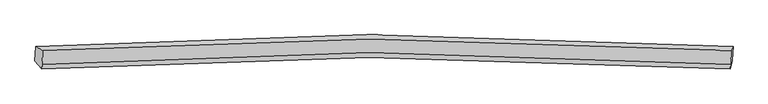
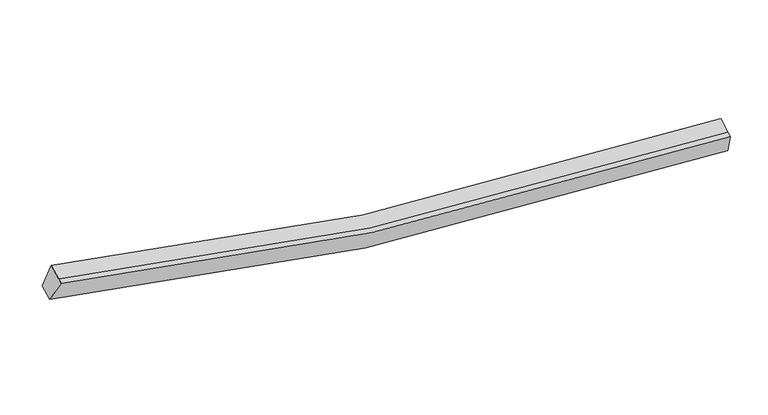
"""IFC4 building model written with IfcOpenShell, lengths in millimetres: proxy geometry."""

from ifc_helpers import new_model, si_unit, frame, origin, place, context, project, spatial, source, transform, mapped, element, save
from ifc_brep_helpers import plane_surface, spline_curve, spline_surface, advanced_brep


def generic_models_5e9204c1(model_context):
    return source(origin(), model_context, "Body", "AdvancedBrep", [
        advanced_brep(
        [(-10011.7701348, -1860.1644742, 4376.2628822), (-9793.6555309, -1979.5150159, 5046.9866564), (11110.7522531, -1976.7671308, 2580.5327412), (11169.904688, -1857.2818313, 1877.7431809), (-9812.9647578, -2401.6274832, 4878.2493281), (11091.4430262, -2398.8795981, 2411.7954129), (-9819.7548309, -2550.062971, 4818.9129911), (11084.6529531, -2547.3150858, 2352.4590759), (-10031.6195305, -2294.0853896, 4202.8051865), (11150.0552923, -2291.2027467, 1704.2854851)],
        [
            (0, 1),
            (1, 2, spline_curve(3, [(-9793.6555309, -1979.5150159, 5046.9866564), (-6514.706561389, -1752.894256372, 4122.332437879), (-3204.895896592, -1634.793983545, 3452.0606962), (3757.822342463, -1614.827537271, 2585.253222156), (7416.147605637, -1732.011849566, 2433.373658119), (11110.7522531, -1976.7671308, 2580.5327412)], [4, 2, 4], [0.0, 33.47764523452498, 69.77499914467266])),
            (2, 3),
            (3, 0, spline_curve(3, [(11169.904688, -1857.2818313, 1877.7431809), (7425.349094548, -1608.914744358, 1727.26489355), (3718.046873919, -1490.009665794, 1880.4444053), (-3336.948264237, -1510.303424263, 2758.630265219), (-6690.204317075, -1630.169383405, 3438.290653807), (-10011.7701348, -1860.1644742, 4376.2628822)], [4, 2, 4], [0.0, 36.297353910147685, 69.77499914467266])),
            (1, 4),
            (4, 5, spline_curve(3, [(-9812.9647578, -2401.6274832, 4878.2493281), (-6534.015788704, -2175.006723025, 3953.59511007), (-3224.20512339, -2056.906450671, 3283.323368071), (3738.513115452, -2036.94000476, 2416.515893671), (7396.838378762, -2154.124316781, 2264.63633072), (11091.4430262, -2398.8795981, 2411.7954129)], [4, 2, 4], [0.0, 33.25688100982449, 69.31487647231202])),
            (5, 2),
            (4, 6),
            (6, 7, spline_curve(3, [(-9819.7548309, -2550.062971, 4818.9129911), (-6540.805861804, -2323.442210825, 3894.25877307), (-3230.99519649, -2205.341938371, 3223.987031071), (3731.723042352, -2185.37549246, 2357.179556671), (7390.048305662, -2302.559804481, 2205.29999372), (11084.6529531, -2547.3150858, 2352.4590759)], [4, 2, 4], [0.0, 33.2568810098245, 69.31487647231204])),
            (7, 5),
            (6, 8),
            (8, 9, spline_curve(3, [(-10031.6195305, -2294.0853896, 4202.8051865), (-6710.053712775, -2064.090298805, 3264.832958107), (-3356.797659937, -1944.224339663, 2585.172569419), (3698.197478219, -1923.930581194, 1706.9867095), (7405.499698848, -2042.835659758, 1553.80719775), (11150.0552923, -2291.2027467, 1704.2854851)], [4, 2, 4], [0.0, 33.477645234524374, 69.7749991446714])),
            (9, 7),
            (8, 0),
            (3, 9),
        ],
        [
            spline_surface(3, 3, [[(-10011.7701348, -1860.1644742, 4376.2628822), (-6690.204316874, -1630.169383667, 3438.290653536), (-3336.948263936, -1510.303423993, 2758.630264816), (3718.046873593, -1490.009666086, 1880.444405737), (7425.349094924, -1608.914744804, 1727.264894036), (11169.904688, -1857.2818313, 1877.7431809)], [(-9939.065266838, -1899.947988095, 4599.837473572), (-6631.70506509, -1671.077674484, 3666.30458169), (-3292.930808188, -1551.800277045, 2989.773742003), (3731.305363226, -1531.615623288, 2115.380677822), (7422.281931835, -1649.947112855, 1962.634482218), (11150.18720969, -1897.110264444, 2112.006367664)], [(-9866.360398862, -1939.731502005, 4823.412065028), (-6573.205813293, -1711.985965317, 3894.318509928), (-3248.913352402, -1593.297130101, 3220.917219177), (3744.563852897, -1573.221580494, 2350.316949894), (7419.214768776, -1690.979480973, 2198.004070407), (11130.46973141, -1936.938697656, 2346.269554436)], [(-9793.6555309, -1979.5150159, 5046.9866564), (-6514.706561508, -1752.894256134, 4122.332438082), (-3204.895896653, -1634.793983153, 3452.060696364), (3757.822342529, -1614.827537696, 2585.253221978), (7416.147605688, -1732.011849023, 2433.37365859), (11110.7522531, -1976.7671308, 2580.5327412)]], [4, 4], [4, 2, 4], [0.0, 2.3468341274429347], [0.0, 33.47764523452498, 69.77499914467266]),
            spline_surface(3, 3, [[(-9793.6555309, -1979.5150159, 5046.9866564), (-6514.706561508, -1752.894256134, 4122.332438082), (-3204.895896653, -1634.793983153, 3452.060696364), (3757.822342529, -1614.827537696, 2585.253221978), (7416.147605688, -1732.011849023, 2433.37365859), (11110.7522531, -1976.7671308, 2580.5327412)], [(-9800.091939865, -2120.219171671, 4990.740880307), (-6521.142970473, -1893.598411905, 4066.086661989), (-3211.332305618, -1775.498138924, 3395.814920271), (3751.385933564, -1755.531693466, 2529.007445885), (7409.711196723, -1872.716004794, 2377.127882497), (11104.315844135, -2117.471286571, 2524.286965107)], [(-9806.528348835, -2260.923327429, 4934.495104193), (-6527.579379443, -2034.302567664, 4009.840885875), (-3217.768714589, -1916.202294682, 3339.569144157), (3744.949524594, -1896.235849225, 2472.761669771), (7403.274787752, -2013.420160552, 2320.882106382), (11097.879435165, -2258.175442329, 2468.041188993)], [(-9812.9647578, -2401.6274832, 4878.2493281), (-6534.015788408, -2175.006723434, 3953.595109782), (-3224.205123553, -2056.906450453, 3283.323368064), (3738.513115629, -2036.940004996, 2416.515893678), (7396.838378788, -2154.124316323, 2264.63633029), (11091.4430262, -2398.8795981, 2411.7954129)]], [4, 4], [4, 2, 4], [0.0, 1.4927787893967144], [0.0, 33.25688100982449, 69.31487647231202]),
            spline_surface(3, 3, [[(-9812.9647578, -2401.6274832, 4878.2493281), (-6534.015788408, -2175.006723434, 3953.595109782), (-3224.205123553, -2056.906450453, 3283.323368064), (3738.513115629, -2036.940004996, 2416.515893678), (7396.838378788, -2154.124316323, 2264.63633029), (11091.4430262, -2398.8795981, 2411.7954129)], [(-9815.228115502, -2451.105979109, 4858.470549094), (-6536.27914611, -2224.485219343, 3933.816330775), (-3226.468481255, -2106.384946362, 3263.544589058), (3736.249757927, -2086.418500904, 2396.737114672), (7394.575021086, -2203.602812231, 2244.857551283), (11089.179668498, -2448.358094009, 2392.016633894)], [(-9817.491473198, -2500.584475091, 4838.691770106), (-6538.542503807, -2273.963715326, 3914.037551788), (-3228.731838952, -2155.863442245, 3243.765810071), (3733.986400231, -2135.896996787, 2376.958335684), (7392.311663389, -2253.081308114, 2225.078772296), (11086.916310802, -2497.836589891, 2372.237854906)], [(-9819.7548309, -2550.062971, 4818.9129911), (-6540.805861508, -2323.442211234, 3894.258772782), (-3230.995196653, -2205.341938153, 3223.987031064), (3731.723042529, -2185.375492696, 2357.179556678), (7390.048305688, -2302.559804023, 2205.29999329), (11084.6529531, -2547.3150858, 2352.4590759)]], [4, 4], [4, 2, 4], [0.0, 0.5249343832021038], [0.0, 33.2568810098245, 69.31487647231204]),
            spline_surface(3, 3, [[(-9819.7548309, -2550.062971, 4818.9129911), (-6540.805861508, -2323.442211234, 3894.258772782), (-3230.995196653, -2205.341938153, 3223.987031064), (3731.723042529, -2185.375492696, 2357.179556678), (7390.048305688, -2302.559804023, 2205.29999329), (11084.6529531, -2547.3150858, 2352.4590759)], [(-9890.376397442, -2464.737110552, 4613.543722896), (-6597.221811872, -2236.991573864, 3684.450167796), (-3272.929350981, -2118.302738548, 3011.048877046), (3720.547854317, -2098.227188941, 2140.448607762), (7395.198770197, -2215.985089419, 1988.135728276), (11106.45373283, -2461.944306103, 2136.401212304)], [(-9960.997963958, -2379.411250048, 4408.174454704), (-6653.637762211, -2150.540936437, 3474.641562822), (-3314.863505309, -2031.263538998, 2798.110723034), (3709.372666105, -2011.078885241, 1923.717658853), (7400.349234715, -2129.410374808, 1770.971463249), (11128.25451257, -2376.573526397, 1920.343348696)], [(-10031.6195305, -2294.0853896, 4202.8051865), (-6710.053712574, -2064.090299067, 3264.832957836), (-3356.797659636, -1944.224339393, 2585.172569016), (3698.197477893, -1923.930581486, 1706.986709937), (7405.499699224, -2042.835660204, 1553.807198236), (11150.0552923, -2291.2027467, 1704.2854851)]], [4, 4], [4, 2, 4], [0.0, 2.296556748900075], [0.0, 33.477645234524374, 69.7749991446714]),
            spline_surface(3, 3, [[(-10031.6195305, -2294.0853896, 4202.8051865), (-6710.053712574, -2064.090299067, 3264.832957836), (-3356.797659636, -1944.224339393, 2585.172569016), (3698.197477893, -1923.930581486, 1706.986709937), (7405.499699224, -2042.835660204, 1553.807198236), (11150.0552923, -2291.2027467, 1704.2854851)], [(-10025.003065254, -2149.445084474, 4260.624418431), (-6703.437247328, -1919.449993941, 3322.652189767), (-3350.18119439, -1799.584034267, 2642.991800947), (3704.813943139, -1779.290276359, 1764.805941868), (7412.11616447, -1898.195355078, 1611.626430166), (11156.671757546, -2146.562441574, 1762.104717031)], [(-10018.386600046, -2004.804779326, 4318.443650269), (-6696.82078212, -1774.809688793, 3380.471421605), (-3343.564729182, -1654.94372912, 2700.811032885), (3711.430408347, -1634.649971212, 1822.625173807), (7418.732629678, -1753.555049931, 1669.445662105), (11163.288222754, -2001.922136426, 1819.923948969)], [(-10011.7701348, -1860.1644742, 4376.2628822), (-6690.204316874, -1630.169383667, 3438.290653536), (-3336.948263936, -1510.303423993, 2758.630264816), (3718.046873593, -1490.009666086, 1880.444405737), (7425.349094924, -1608.914744804, 1727.264894036), (11169.904688, -1857.2818313, 1877.7431809)]], [4, 4], [4, 2, 4], [0.0, 1.5345387519053928], [0.0, 33.69840976072655, 70.23512244542988]),
            plane_surface(frame((11128.8412966, -2168.1416986, 2128.7551208), z_axis=(0.9947208138076177, -0.07394536880943214, 0.07115184473749052), x_axis=(0.09343191313054294, 0.3658747701308473, -0.9259622725524331))),
            plane_surface(frame((-9914.2000068, -2170.9569627, 4611.241929), z_axis=(-0.9521520937945471, -0.07489159094098835, 0.29630666527938193), x_axis=(-0.04243795690814118, -0.9277217982852183, -0.37085210637112964))),
        ],
        [
            (0, [[1, 2, 3, 4]]),
            (1, [[5, 6, 7, -2]]),
            (2, [[8, 9, 10, -6]]),
            (3, [[11, 12, 13, -9]]),
            (4, [[14, -4, 15, -12]]),
            (5, [[-13, -15, -3, -7, -10]]),
            (6, [[-14, -11, -8, -5, -1]]),
        ],
    ),
    ])


if __name__ == "__main__":
    model = new_model("IFC4")
    model_context = context("Model", 3, world=origin())
    ifc_project = project(units=[si_unit("LENGTHUNIT", "METRE", prefix="MILLI")], contexts=[model_context])
    site = spatial("IfcSite", under=ifc_project)
    building = spatial("IfcBuilding", under=site)
    placement = place(None, origin())
    generic_models_shape = generic_models_5e9204c1(model_context)
    element("IfcBuildingElementProxy", 1, Name="Generic Models", at=placement, inside=building, context=model_context, shape_type="MappedRepresentation", body=[
        mapped(generic_models_shape, transform((0.0, 0.0, 0.0), x_axis=(1.0, 0.0, 0.0), y_axis=(0.0, 1.0, 0.0), z_axis=(0.0, 0.0, 1.0))),
    ])
    save(model, "model.ifc")
